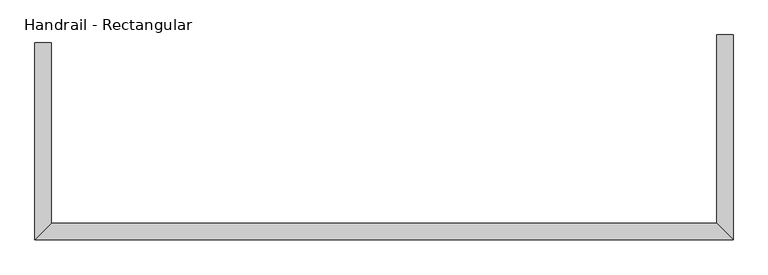
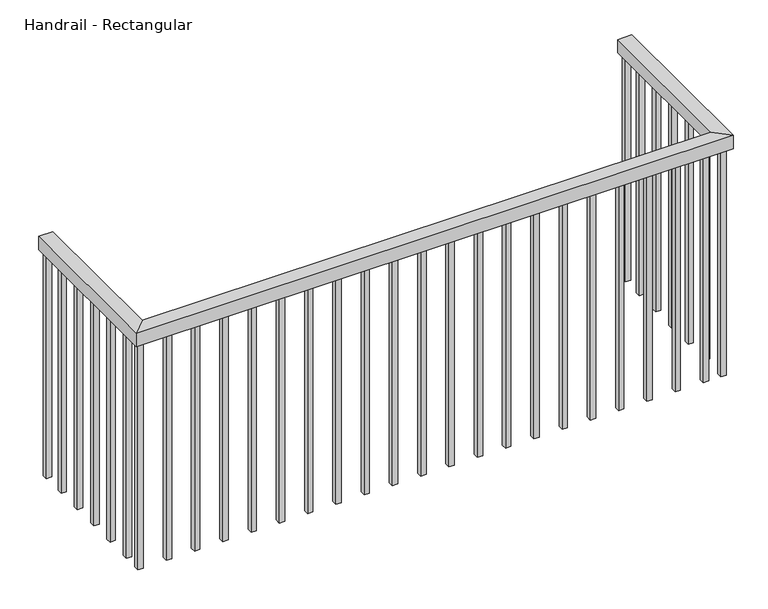
"""IFC4 building model written with IfcOpenShell, lengths in millimetres: railing geometry, Handrail - Rectangular."""

from ifc_helpers import new_model, si_unit, frame, origin, place, context, project, spatial, polyline, outline, extrude, faceted_brep, source, transform, mapped, element, save


def handrail_rectangular_4500eb6e(model_context):
    return source(origin(), model_context, "Body", "SolidModel", [
        faceted_brep([(-480.3818144, -5384.1911829, 4204.4), (-480.3818144, -5384.1911829, 4153.6), (-531.1818144, -5384.1911829, 4153.6), (-531.1818144, -5384.1911829, 4204.4), (-531.1818144, -5989.9856101, 4204.4), (-480.3818144, -5939.1856101, 4204.4), (-531.1818144, -5989.9856101, 4153.6), (-480.3818144, -5939.1856101, 4153.6), (1614.0157898, -5989.9856101, 4204.4), (1563.2157898, -5939.1856101, 4204.4), (1614.0157898, -5989.9856101, 4153.6), (1563.2157898, -5939.1856101, 4153.6), (1563.2157898, -5359.9856101, 4204.4), (1614.0157898, -5359.9856101, 4204.4), (1614.0157898, -5359.9856101, 4153.6), (1563.2157898, -5359.9856101, 4153.6)], [[[0, 1, 2, 3]], [[0, 3, 4, 5]], [[3, 2, 6, 4]], [[2, 1, 7, 6]], [[1, 0, 5, 7]], [[5, 4, 8, 9]], [[4, 6, 10, 8]], [[6, 7, 11, 10]], [[7, 5, 9, 11]], [[12, 13, 14, 15]], [[9, 8, 13, 12]], [[8, 10, 14, 13]], [[10, 11, 15, 14]], [[11, 9, 12, 15]]]),
        extrude(outline(polyline([(1579.0907898, -5466.1106101), (1579.0907898, -5447.0606101), (1598.1407898, -5447.0606101), (1598.1407898, -5466.1106101), (1579.0907898, -5466.1106101)])), frame((0.0, 0.0, 3290.0), z_axis=(0.0, 0.0, 1.0), x_axis=(1.0, 0.0, 0.0)), (0.0, 0.0, 1.0), 863.6),
        extrude(outline(polyline([(1579.0907898, -5567.7106101), (1579.0907898, -5548.6606101), (1598.1407898, -5548.6606101), (1598.1407898, -5567.7106101), (1579.0907898, -5567.7106101)])), frame((0.0, 0.0, 3290.0), z_axis=(0.0, 0.0, 1.0), x_axis=(1.0, 0.0, 0.0)), (0.0, 0.0, 1.0), 863.6),
        extrude(outline(polyline([(1579.0907898, -5669.3106101), (1579.0907898, -5650.2606101), (1598.1407898, -5650.2606101), (1598.1407898, -5669.3106101), (1579.0907898, -5669.3106101)])), frame((0.0, 0.0, 3290.0), z_axis=(0.0, 0.0, 1.0), x_axis=(1.0, 0.0, 0.0)), (0.0, 0.0, 1.0), 863.6),
        extrude(outline(polyline([(1579.0907898, -5770.9106101), (1579.0907898, -5751.8606101), (1598.1407898, -5751.8606101), (1598.1407898, -5770.9106101), (1579.0907898, -5770.9106101)])), frame((0.0, 0.0, 3290.0), z_axis=(0.0, 0.0, 1.0), x_axis=(1.0, 0.0, 0.0)), (0.0, 0.0, 1.0), 863.6),
        extrude(outline(polyline([(1579.0907898, -5872.5106101), (1579.0907898, -5853.4606101), (1598.1407898, -5853.4606101), (1598.1407898, -5872.5106101), (1579.0907898, -5872.5106101)])), frame((0.0, 0.0, 3290.0), z_axis=(0.0, 0.0, 1.0), x_axis=(1.0, 0.0, 0.0)), (0.0, 0.0, 1.0), 863.6),
        extrude(outline(polyline([(1516.6931856, -5955.0606101), (1535.7431856, -5955.0606101), (1535.7431856, -5974.1106101), (1516.6931856, -5974.1106101), (1516.6931856, -5955.0606101)])), frame((0.0, 0.0, 3290.0), z_axis=(0.0, 0.0, 1.0), x_axis=(1.0, 0.0, 0.0)), (0.0, 0.0, 1.0), 863.6),
        extrude(outline(polyline([(1415.0931856, -5955.0606101), (1434.1431856, -5955.0606101), (1434.1431856, -5974.1106101), (1415.0931856, -5974.1106101), (1415.0931856, -5955.0606101)])), frame((0.0, 0.0, 3290.0), z_axis=(0.0, 0.0, 1.0), x_axis=(1.0, 0.0, 0.0)), (0.0, 0.0, 1.0), 863.6),
        extrude(outline(polyline([(1313.4931856, -5955.0606101), (1332.5431856, -5955.0606101), (1332.5431856, -5974.1106101), (1313.4931856, -5974.1106101), (1313.4931856, -5955.0606101)])), frame((0.0, 0.0, 3290.0), z_axis=(0.0, 0.0, 1.0), x_axis=(1.0, 0.0, 0.0)), (0.0, 0.0, 1.0), 863.6),
        extrude(outline(polyline([(1211.8931856, -5955.0606101), (1230.9431856, -5955.0606101), (1230.9431856, -5974.1106101), (1211.8931856, -5974.1106101), (1211.8931856, -5955.0606101)])), frame((0.0, 0.0, 3290.0), z_axis=(0.0, 0.0, 1.0), x_axis=(1.0, 0.0, 0.0)), (0.0, 0.0, 1.0), 863.6),
        extrude(outline(polyline([(1110.2931856, -5955.0606101), (1129.3431856, -5955.0606101), (1129.3431856, -5974.1106101), (1110.2931856, -5974.1106101), (1110.2931856, -5955.0606101)])), frame((0.0, 0.0, 3290.0), z_axis=(0.0, 0.0, 1.0), x_axis=(1.0, 0.0, 0.0)), (0.0, 0.0, 1.0), 863.6),
        extrude(outline(polyline([(1008.6931856, -5955.0606101), (1027.7431856, -5955.0606101), (1027.7431856, -5974.1106101), (1008.6931856, -5974.1106101), (1008.6931856, -5955.0606101)])), frame((0.0, 0.0, 3290.0), z_axis=(0.0, 0.0, 1.0), x_axis=(1.0, 0.0, 0.0)), (0.0, 0.0, 1.0), 863.6),
        extrude(outline(polyline([(907.0931856, -5955.0606101), (926.1431856, -5955.0606101), (926.1431856, -5974.1106101), (907.0931856, -5974.1106101), (907.0931856, -5955.0606101)])), frame((0.0, 0.0, 3290.0), z_axis=(0.0, 0.0, 1.0), x_axis=(1.0, 0.0, 0.0)), (0.0, 0.0, 1.0), 863.6),
        extrude(outline(polyline([(805.4931856, -5955.0606101), (824.5431856, -5955.0606101), (824.5431856, -5974.1106101), (805.4931856, -5974.1106101), (805.4931856, -5955.0606101)])), frame((0.0, 0.0, 3290.0), z_axis=(0.0, 0.0, 1.0), x_axis=(1.0, 0.0, 0.0)), (0.0, 0.0, 1.0), 863.6),
        extrude(outline(polyline([(703.8931856, -5955.0606101), (722.9431856, -5955.0606101), (722.9431856, -5974.1106101), (703.8931856, -5974.1106101), (703.8931856, -5955.0606101)])), frame((0.0, 0.0, 3290.0), z_axis=(0.0, 0.0, 1.0), x_axis=(1.0, 0.0, 0.0)), (0.0, 0.0, 1.0), 863.6),
        extrude(outline(polyline([(602.2931856, -5955.0606101), (621.3431856, -5955.0606101), (621.3431856, -5974.1106101), (602.2931856, -5974.1106101), (602.2931856, -5955.0606101)])), frame((0.0, 0.0, 3290.0), z_axis=(0.0, 0.0, 1.0), x_axis=(1.0, 0.0, 0.0)), (0.0, 0.0, 1.0), 863.6),
        extrude(outline(polyline([(500.6931856, -5955.0606101), (519.7431856, -5955.0606101), (519.7431856, -5974.1106101), (500.6931856, -5974.1106101), (500.6931856, -5955.0606101)])), frame((0.0, 0.0, 3290.0), z_axis=(0.0, 0.0, 1.0), x_axis=(1.0, 0.0, 0.0)), (0.0, 0.0, 1.0), 863.6),
        extrude(outline(polyline([(399.0931856, -5955.0606101), (418.1431856, -5955.0606101), (418.1431856, -5974.1106101), (399.0931856, -5974.1106101), (399.0931856, -5955.0606101)])), frame((0.0, 0.0, 3290.0), z_axis=(0.0, 0.0, 1.0), x_axis=(1.0, 0.0, 0.0)), (0.0, 0.0, 1.0), 863.6),
        extrude(outline(polyline([(297.4931856, -5955.0606101), (316.5431856, -5955.0606101), (316.5431856, -5974.1106101), (297.4931856, -5974.1106101), (297.4931856, -5955.0606101)])), frame((0.0, 0.0, 3290.0), z_axis=(0.0, 0.0, 1.0), x_axis=(1.0, 0.0, 0.0)), (0.0, 0.0, 1.0), 863.6),
        extrude(outline(polyline([(195.8931856, -5955.0606101), (214.9431856, -5955.0606101), (214.9431856, -5974.1106101), (195.8931856, -5974.1106101), (195.8931856, -5955.0606101)])), frame((0.0, 0.0, 3290.0), z_axis=(0.0, 0.0, 1.0), x_axis=(1.0, 0.0, 0.0)), (0.0, 0.0, 1.0), 863.6),
        extrude(outline(polyline([(94.2931856, -5955.0606101), (113.3431856, -5955.0606101), (113.3431856, -5974.1106101), (94.2931856, -5974.1106101), (94.2931856, -5955.0606101)])), frame((0.0, 0.0, 3290.0), z_axis=(0.0, 0.0, 1.0), x_axis=(1.0, 0.0, 0.0)), (0.0, 0.0, 1.0), 863.6),
        extrude(outline(polyline([(-7.3068144, -5955.0606101), (11.7431856, -5955.0606101), (11.7431856, -5974.1106101), (-7.3068144, -5974.1106101), (-7.3068144, -5955.0606101)])), frame((0.0, 0.0, 3290.0), z_axis=(0.0, 0.0, 1.0), x_axis=(1.0, 0.0, 0.0)), (0.0, 0.0, 1.0), 863.6),
        extrude(outline(polyline([(-108.9068144, -5955.0606101), (-89.8568144, -5955.0606101), (-89.8568144, -5974.1106101), (-108.9068144, -5974.1106101), (-108.9068144, -5955.0606101)])), frame((0.0, 0.0, 3290.0), z_axis=(0.0, 0.0, 1.0), x_axis=(1.0, 0.0, 0.0)), (0.0, 0.0, 1.0), 863.6),
        extrude(outline(polyline([(-210.5068144, -5955.0606101), (-191.4568144, -5955.0606101), (-191.4568144, -5974.1106101), (-210.5068144, -5974.1106101), (-210.5068144, -5955.0606101)])), frame((0.0, 0.0, 3290.0), z_axis=(0.0, 0.0, 1.0), x_axis=(1.0, 0.0, 0.0)), (0.0, 0.0, 1.0), 863.6),
        extrude(outline(polyline([(-312.1068144, -5955.0606101), (-293.0568144, -5955.0606101), (-293.0568144, -5974.1106101), (-312.1068144, -5974.1106101), (-312.1068144, -5955.0606101)])), frame((0.0, 0.0, 3290.0), z_axis=(0.0, 0.0, 1.0), x_axis=(1.0, 0.0, 0.0)), (0.0, 0.0, 1.0), 863.6),
        extrude(outline(polyline([(-413.7068144, -5955.0606101), (-394.6568144, -5955.0606101), (-394.6568144, -5974.1106101), (-413.7068144, -5974.1106101), (-413.7068144, -5955.0606101)])), frame((0.0, 0.0, 3290.0), z_axis=(0.0, 0.0, 1.0), x_axis=(1.0, 0.0, 0.0)), (0.0, 0.0, 1.0), 863.6),
        extrude(outline(polyline([(-496.2568144, -5882.6661829), (-496.2568144, -5901.7161829), (-515.3068144, -5901.7161829), (-515.3068144, -5882.6661829), (-496.2568144, -5882.6661829)])), frame((0.0, 0.0, 3290.0), z_axis=(0.0, 0.0, 1.0), x_axis=(1.0, 0.0, 0.0)), (0.0, 0.0, 1.0), 863.6),
        extrude(outline(polyline([(-496.2568144, -5781.0661829), (-496.2568144, -5800.1161829), (-515.3068144, -5800.1161829), (-515.3068144, -5781.0661829), (-496.2568144, -5781.0661829)])), frame((0.0, 0.0, 3290.0), z_axis=(0.0, 0.0, 1.0), x_axis=(1.0, 0.0, 0.0)), (0.0, 0.0, 1.0), 863.6),
        extrude(outline(polyline([(-496.2568144, -5679.4661829), (-496.2568144, -5698.5161829), (-515.3068144, -5698.5161829), (-515.3068144, -5679.4661829), (-496.2568144, -5679.4661829)])), frame((0.0, 0.0, 3290.0), z_axis=(0.0, 0.0, 1.0), x_axis=(1.0, 0.0, 0.0)), (0.0, 0.0, 1.0), 863.6),
        extrude(outline(polyline([(-496.2568144, -5577.8661829), (-496.2568144, -5596.9161829), (-515.3068144, -5596.9161829), (-515.3068144, -5577.8661829), (-496.2568144, -5577.8661829)])), frame((0.0, 0.0, 3290.0), z_axis=(0.0, 0.0, 1.0), x_axis=(1.0, 0.0, 0.0)), (0.0, 0.0, 1.0), 863.6),
        extrude(outline(polyline([(-496.2568144, -5476.2661829), (-496.2568144, -5495.3161829), (-515.3068144, -5495.3161829), (-515.3068144, -5476.2661829), (-496.2568144, -5476.2661829)])), frame((0.0, 0.0, 3290.0), z_axis=(0.0, 0.0, 1.0), x_axis=(1.0, 0.0, 0.0)), (0.0, 0.0, 1.0), 863.6),
        extrude(outline(polyline([(1579.0907898, -5955.0606101), (1598.1407898, -5955.0606101), (1598.1407898, -5974.1106101), (1579.0907898, -5974.1106101), (1579.0907898, -5955.0606101)])), frame((0.0, 0.0, 3290.0), z_axis=(0.0, 0.0, 1.0), x_axis=(1.0, 0.0, 0.0)), (0.0, 0.0, 1.0), 863.6),
        extrude(outline(polyline([(-496.2568144, -5955.0606101), (-496.2568144, -5974.1106101), (-515.3068144, -5974.1106101), (-515.3068144, -5955.0606101), (-496.2568144, -5955.0606101)])), frame((0.0, 0.0, 3290.0), z_axis=(0.0, 0.0, 1.0), x_axis=(1.0, 0.0, 0.0)), (0.0, 0.0, 1.0), 863.6),
        extrude(outline(polyline([(1579.0907898, -5379.0356101), (1579.0907898, -5359.9856101), (1598.1407898, -5359.9856101), (1598.1407898, -5379.0356101), (1579.0907898, -5379.0356101)])), frame((0.0, 0.0, 3290.0), z_axis=(0.0, 0.0, 1.0), x_axis=(1.0, 0.0, 0.0)), (0.0, 0.0, 1.0), 863.6),
        extrude(outline(polyline([(-496.2568144, -5384.1911829), (-496.2568144, -5403.2411829), (-515.3068144, -5403.2411829), (-515.3068144, -5384.1911829), (-496.2568144, -5384.1911829)])), frame((0.0, 0.0, 3290.0), z_axis=(0.0, 0.0, 1.0), x_axis=(1.0, 0.0, 0.0)), (0.0, 0.0, 1.0), 863.6),
    ])


if __name__ == "__main__":
    model = new_model("IFC4")
    model_context = context("Model", 3, world=origin())
    ifc_project = project(units=[si_unit("LENGTHUNIT", "METRE", prefix="MILLI")], contexts=[model_context])
    site = spatial("IfcSite", under=ifc_project)
    building = spatial("IfcBuilding", under=site)
    placement = place(None, origin())
    handrail_rectangular_shape = handrail_rectangular_4500eb6e(model_context)
    element("IfcRailing", 1, ObjectType="Handrail - Rectangular", at=placement, inside=building, context=model_context, shape_type="MappedRepresentation", body=[
        mapped(handrail_rectangular_shape, transform((0.0, 0.0, 0.0), x_axis=(1.0, 0.0, 0.0), y_axis=(0.0, 1.0, 0.0), z_axis=(0.0, 0.0, 1.0))),
    ])
    save(model, "model.ifc")
